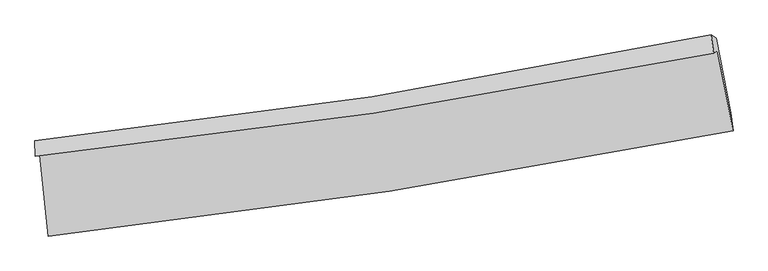
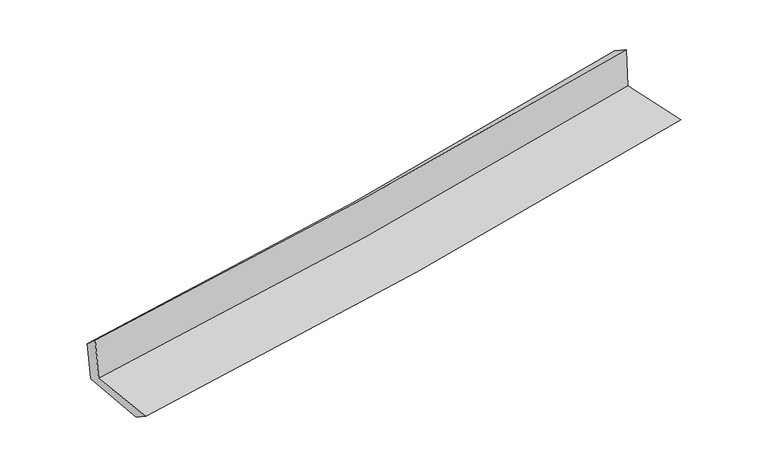
"""IFC4 building model written with IfcOpenShell, lengths in millimetres: proxy geometry."""

from ifc_helpers import new_model, si_unit, frame, origin, place, context, project, spatial, source, transform, mapped, element, save
from ifc_brep_helpers import plane_surface, spline_curve, spline_surface, advanced_brep


def generic_models_a906438b(model_context):
    return source(origin(), model_context, "Body", "AdvancedBrep", [
        advanced_brep(
        [(-2846.2868225, -1905.1251608, 1629.9887069), (-2775.6498954, -2578.2028336, 1623.0133004), (2935.1312476, -1699.2581927, 2139.5593238), (2805.0160734, -1031.9345018, 2129.558727), (-2882.1490835, -1912.0552056, 2036.1700053), (2772.8647565, -1056.1995126, 2527.480413), (-2885.6590576, -1784.1224164, 1927.3977189), (2751.8241575, -901.4529634, 2426.7274623), (-2852.046353, -1781.8863564, 1551.6140692), (2792.948993, -928.4664038, 2040.620432), (-2782.1620212, -2428.2950317, 1522.1959644), (2917.1836293, -1549.9991819, 2017.0824353)],
        [
            (0, 1),
            (1, 2, spline_curve(3, [(-2775.6498954, -2578.2028336, 1623.0133004), (-1824.341301624, -2473.095619844, 1707.843941215), (-875.952222512, -2347.921698908, 1793.014540878), (1027.720662369, -2055.484316131, 1965.187329458), (1982.925297687, -1887.676689793, 2052.19873777), (2935.1312476, -1699.2581927, 2139.5593238)], [4, 2, 4], [0.0, 9.4053477823735, 18.937368497334106])),
            (2, 3),
            (3, 0, spline_curve(3, [(2805.0160734, -1031.9345018, 2129.558727), (1863.507738124, -1217.707259768, 2041.227639234), (918.639182757, -1383.714930126, 1955.167881752), (-965.217165032, -1674.256649493, 1788.704509037), (-1904.116241722, -1799.312531853, 1708.24092644), (-2846.2868225, -1905.1251608, 1629.9887069)], [4, 2, 4], [0.0, 9.532020714960606, 18.937368497334106])),
            (4, 0),
            (3, 5),
            (5, 4, spline_curve(3, [(2772.8647565, -1056.1995126, 2527.480413), (1830.470706681, -1245.581036399, 2450.967767157), (884.848860366, -1411.917049151, 2371.475243416), (-1000.240972403, -1696.593837463, 2207.626433641), (-1939.623739599, -1815.543055345, 2123.348821152), (-2882.1490835, -1912.0552056, 2036.1700053)], [4, 2, 4], [0.0, 9.4822915015655, 18.838570932021682])),
            (6, 4),
            (5, 7),
            (7, 6, spline_curve(3, [(2751.8241575, -901.4529634, 2426.7274623), (1813.761737883, -1098.532366645, 2345.046472881), (871.77171395, -1270.956046515, 2262.309815196), (-1007.49305332, -1564.52824191, 2095.83869601), (-1944.664101188, -1686.327713039, 2012.132105716), (-2885.6590576, -1784.1224164, 1927.3977189)], [4, 2, 4], [0.0, 9.472919785145141, 18.81995204179767])),
            (8, 6),
            (7, 9),
            (9, 8, spline_curve(3, [(2792.948993, -928.4664038, 2040.620432), (1851.380451669, -1110.856131234, 1964.087870405), (907.014679513, -1273.513927468, 1884.780036507), (-974.724287645, -1557.466286487, 1721.704643331), (-1912.023630827, -1679.281807895, 1638.010356289), (-2852.046353, -1781.8863564, 1551.6140692)], [4, 2, 4], [0.0, 9.463841150063336, 18.801915419434156])),
            (10, 8),
            (9, 11),
            (11, 10, spline_curve(3, [(2917.1836293, -1549.9991819, 2017.0824353), (1965.416288489, -1731.359511143, 1939.767971474), (1011.395240026, -1895.606867695, 1859.575215373), (-888.446145644, -2187.920337603, 1694.537066031), (-1834.206980507, -2316.438264244, 1609.767665254), (-2782.1620212, -2428.2950317, 1522.1959644)], [4, 2, 4], [0.0, 9.512354223293556, 18.898296865947053])),
            (1, 10),
            (11, 2),
        ],
        [
            spline_surface(3, 3, [[(-2846.2868225, -1905.1251608, 1629.9887069), (-1904.116241796, -1799.312531882, 1708.240926302), (-965.217165048, -1674.256649385, 1788.704508985), (918.639182773, -1383.714930235, 1955.167881805), (1863.507737968, -1217.707259714, 2041.22763917), (2805.0160734, -1031.9345018, 2129.558727)], [(-2822.741180126, -2129.484385065, 1627.663571394), (-1877.524595102, -2023.906894519, 1708.10859789), (-935.46218424, -1898.811665912, 1790.141186245), (954.99967598, -1607.638058844, 1958.507697754), (1903.313591179, -1441.030403114, 2044.884672038), (2848.38779813, -1254.375732104, 2132.892259274)], [(-2799.195537774, -2353.843609335, 1625.338435906), (-1850.93294843, -2248.501257161, 1707.976269497), (-905.707203388, -2123.366682444, 1791.577863466), (991.36016923, -1831.561187459, 1961.847513662), (1943.119444399, -1664.353546502, 2048.541704885), (2891.75952287, -1476.816962396, 2136.225791526)], [(-2775.6498954, -2578.2028336, 1623.0133004), (-1824.341301736, -2473.095619799, 1707.843941084), (-875.952222579, -2347.92169897, 1793.014540727), (1027.720662437, -2055.484316068, 1965.18732961), (1982.925297609, -1887.676689901, 2052.198737754), (2935.1312476, -1699.2581927, 2139.5593238)]], [4, 4], [4, 2, 4], [0.0, 2.23107912121474], [0.0, 9.4053477823735, 18.937368497334106]),
            spline_surface(3, 3, [[(-2882.1490835, -1912.0552056, 2036.1700053), (-1939.623739492, -1815.543055402, 2123.348821152), (-1000.240972505, -1696.593837344, 2207.626433523), (884.848860469, -1411.917049271, 2371.475243535), (1830.470706803, -1245.581036305, 2450.967767092), (2772.8647565, -1056.1995126, 2527.480413)], [(-2870.194996492, -1909.745190669, 1900.776239176), (-1927.787906918, -1810.132880898, 1984.979522879), (-988.566370007, -1689.14810803, 2067.985791998), (896.112301249, -1402.516342931, 2232.706122946), (1841.48305054, -1236.28977744, 2314.387724468), (2783.581862148, -1048.111175666, 2394.839851017)], [(-2858.240909508, -1907.435175731, 1765.382473024), (-1915.952074369, -1804.722706386, 1846.610224576), (-976.891767545, -1681.7023787, 1928.34515051), (907.375741994, -1393.115636575, 2093.937002394), (1852.495394232, -1226.998518579, 2177.807681793), (2794.298967752, -1040.022838734, 2262.199288983)], [(-2846.2868225, -1905.1251608, 1629.9887069), (-1904.116241796, -1799.312531882, 1708.240926302), (-965.217165048, -1674.256649385, 1788.704508985), (918.639182773, -1383.714930235, 1955.167881805), (1863.507737968, -1217.707259714, 2041.22763917), (2805.0160734, -1031.9345018, 2129.558727)]], [4, 4], [4, 2, 4], [0.0, 1.3772127948439006], [0.0, 9.356279430456182, 18.838570932021682]),
            spline_surface(3, 3, [[(-2885.6590576, -1784.1224164, 1927.3977189), (-1944.664101252, -1686.327713092, 2012.132105836), (-1007.493053433, -1564.528242004, 2095.838695944), (871.771714066, -1270.95604642, 2262.309815263), (1813.761737979, -1098.532366509, 2345.046473007), (2751.8241575, -901.4529634, 2426.7274623)], [(-2884.489066244, -1826.76667947, 1963.655147689), (-1942.983980676, -1729.399493866, 2049.204344264), (-1005.075693135, -1608.550107106, 2133.101275144), (876.130762855, -1317.943047359, 2298.698291361), (1819.331394265, -1147.548589791, 2380.353571036), (2758.837690511, -953.035146483, 2460.311779201)], [(-2883.319074856, -1869.41094253, 1999.912576511), (-1941.303860068, -1772.471274628, 2086.276582725), (-1002.658332803, -1652.571972242, 2170.363854323), (880.489811679, -1364.930048332, 2335.086767437), (1824.901050517, -1196.564813023, 2415.660669063), (2765.851223489, -1004.617329517, 2493.896096099)], [(-2882.1490835, -1912.0552056, 2036.1700053), (-1939.623739492, -1815.543055402, 2123.348821152), (-1000.240972505, -1696.593837344, 2207.626433523), (884.848860469, -1411.917049271, 2371.475243535), (1830.470706803, -1245.581036305, 2450.967767092), (2772.8647565, -1056.1995126, 2527.480413)]], [4, 4], [4, 2, 4], [0.0, 0.5772548690600635], [0.0, 9.347032256652529, 18.81995204179767]),
            spline_surface(3, 3, [[(-2852.046353, -1781.8863564, 1551.6140692), (-1912.023630881, -1679.281807907, 1638.010356268), (-974.724287693, -1557.466286515, 1721.704643352), (907.014679561, -1273.51392744, 1884.780036485), (1851.380451713, -1110.856131305, 1964.087870282), (2792.948993, -928.4664038, 2040.620432)], [(-2863.25058787, -1782.631709723, 1676.875285797), (-1922.903787675, -1681.630442958, 1762.717606155), (-985.647209591, -1559.820271682, 1846.415994218), (895.267024411, -1272.661300437, 2010.62329608), (1838.840880452, -1106.748209698, 2091.074071169), (2779.240714484, -919.461923658, 2169.322775412)], [(-2874.45482273, -1783.377063077, 1802.136502303), (-1933.783944458, -1683.979078041, 1887.42485595), (-996.570131535, -1562.174256837, 1971.127345078), (883.519369216, -1271.808673423, 2136.466555668), (1826.30130924, -1102.640288116, 2218.06027212), (2765.532436016, -910.457443542, 2298.025118888)], [(-2885.6590576, -1784.1224164, 1927.3977189), (-1944.664101252, -1686.327713092, 2012.132105836), (-1007.493053433, -1564.528242004, 2095.838695944), (871.771714066, -1270.95604642, 2262.309815263), (1813.761737979, -1098.532366509, 2345.046473007), (2751.8241575, -901.4529634, 2426.7274623)]], [4, 4], [4, 2, 4], [0.0, 1.238182161206521], [0.0, 9.33807426937082, 18.801915419434156]),
            spline_surface(3, 3, [[(-2782.1620212, -2428.2950317, 1522.1959644), (-1834.206980496, -2316.438264287, 1609.767665392), (-888.446145526, -2187.920337663, 1694.537066177), (1011.395239906, -1895.606867634, 1859.575215226), (1965.416288438, -1731.359510992, 1939.767971424), (2917.1836293, -1549.9991819, 2017.0824353)], [(-2805.456798457, -2212.825473273, 1532.001999316), (-1860.145863949, -2104.052778833, 1619.181895666), (-917.205526264, -1977.768987288, 1703.592925218), (976.601719775, -1688.242554244, 1867.976822295), (1927.40434287, -1524.5250511, 1947.874604394), (2875.772083874, -1342.821589204, 2024.928434217)], [(-2828.751575743, -1997.355914827, 1541.808034284), (-1886.084747429, -1891.667293361, 1628.596125994), (-945.964906954, -1767.61763689, 1712.648784311), (941.808199692, -1480.87824083, 1876.378429416), (1889.392397281, -1317.690591197, 1955.981237312), (2834.360538426, -1135.643996496, 2032.774433083)], [(-2852.046353, -1781.8863564, 1551.6140692), (-1912.023630881, -1679.281807907, 1638.010356268), (-974.724287693, -1557.466286515, 1721.704643352), (907.014679561, -1273.51392744, 1884.780036485), (1851.380451713, -1110.856131305, 1964.087870282), (2792.948993, -928.4664038, 2040.620432)]], [4, 4], [4, 2, 4], [0.0, 2.08002327376054], [0.0, 9.385942642653497, 18.898296865947053]),
            spline_surface(3, 3, [[(-2775.6498954, -2578.2028336, 1623.0133004), (-1824.341301736, -2473.095619799, 1707.843941084), (-875.952222579, -2347.92169897, 1793.014540727), (1027.720662437, -2055.484316068, 1965.18732961), (1982.925297609, -1887.676689901, 2052.198737754), (2935.1312476, -1699.2581927, 2139.5593238)], [(-2777.820604011, -2528.233566299, 1589.407521728), (-1827.629861334, -2420.876501294, 1675.151849182), (-880.116863546, -2294.587911864, 1760.188715884), (1022.278854942, -2002.191833253, 1929.983291489), (1977.088961205, -1835.570963583, 2014.721815624), (2929.148708152, -1649.505189084, 2098.73369428)], [(-2779.991312589, -2478.264299001, 1555.801743072), (-1830.918420899, -2368.657382792, 1642.459757295), (-884.281504559, -2241.254124769, 1727.36289102), (1016.837047401, -1948.899350449, 1894.779253347), (1971.252624842, -1783.465237311, 1977.244893554), (2923.166168748, -1599.752185516, 2057.90806482)], [(-2782.1620212, -2428.2950317, 1522.1959644), (-1834.206980496, -2316.438264287, 1609.767665392), (-888.446145526, -2187.920337663, 1694.537066177), (1011.395239906, -1895.606867634, 1859.575215226), (1965.416288438, -1731.359510992, 1939.767971424), (2917.1836293, -1549.9991819, 2017.0824353)]], [4, 4], [4, 2, 4], [0.0, 0.6243218896958355], [0.0, 9.443848732121905, 19.014888934616533]),
            plane_surface(frame((2829.1614762, -1194.5517927, 2213.5047989), z_axis=(0.9772186716843846, 0.19189731375630315, 0.0906591897411508), x_axis=(-0.10565703205357059, 0.06940234295878915, 0.9919777751388694))),
            plane_surface(frame((-2837.3255389, -2064.9478341, 1715.0632942), z_axis=(-0.990667040906573, -0.10304203463264369, -0.0892252943967116), x_axis=(-0.10436743902462979, 0.9944854035457718, 0.01030629932826554))),
        ],
        [
            (0, [[1, 2, 3, 4]]),
            (1, [[5, -4, 6, 7]]),
            (2, [[8, -7, 9, 10]]),
            (3, [[11, -10, 12, 13]]),
            (4, [[14, -13, 15, 16]]),
            (5, [[17, -16, 18, -2]]),
            (6, [[-12, -9, -6, -3, -18, -15]]),
            (7, [[-1, -5, -8, -11, -14, -17]]),
        ],
    ),
    ])


if __name__ == "__main__":
    model = new_model("IFC4")
    model_context = context("Model", 3, world=origin())
    ifc_project = project(units=[si_unit("LENGTHUNIT", "METRE", prefix="MILLI")], contexts=[model_context])
    site = spatial("IfcSite", under=ifc_project)
    building = spatial("IfcBuilding", under=site)
    placement = place(None, origin())
    generic_models_shape = generic_models_a906438b(model_context)
    element("IfcBuildingElementProxy", 1, Name="Generic Models", at=placement, inside=building, context=model_context, shape_type="MappedRepresentation", body=[
        mapped(generic_models_shape, transform((0.0, 0.0, 0.0), x_axis=(1.0, 0.0, 0.0), y_axis=(0.0, 1.0, 0.0), z_axis=(0.0, 0.0, 1.0))),
    ])
    save(model, "model.ifc")
